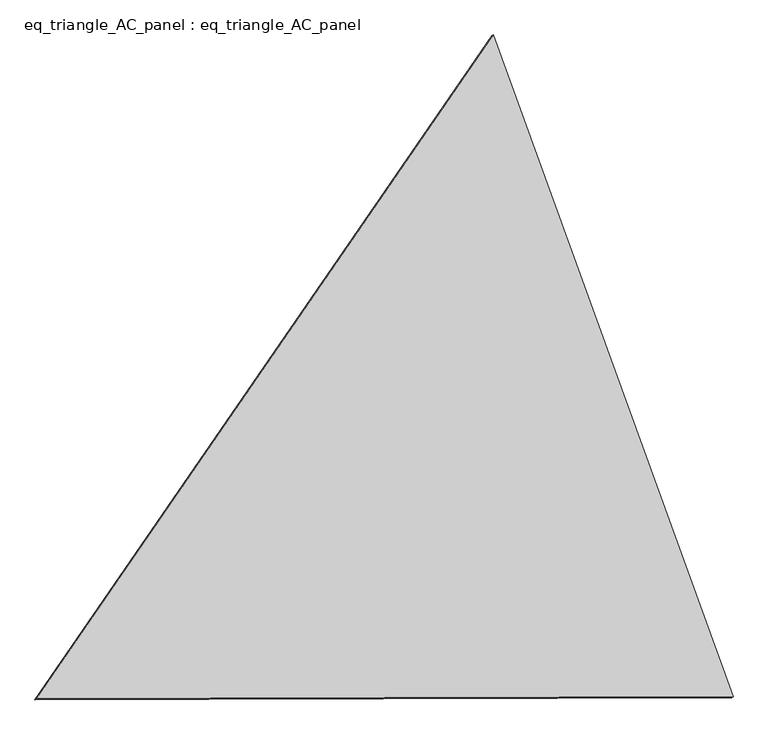
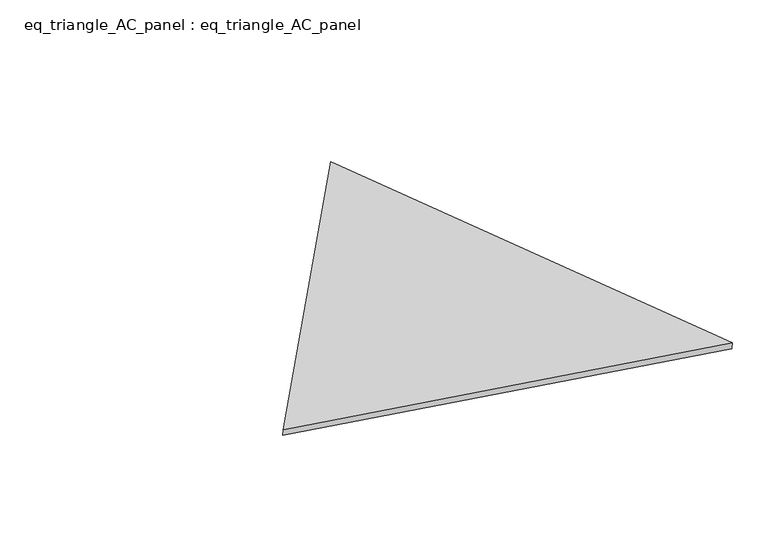
"""IFC4 building model written with IfcOpenShell, lengths in millimetres: proxy geometry, eq_triangle_AC_panel : eq_triangle_AC_panel."""

from ifc_helpers import new_model, si_unit, frame, origin, place, context, project, spatial, polyline, outline, extrude, source, transform, mapped, element, save


def eq_triangle_ac_panel_eq_triangle_ac_panel_9b1038bd(model_context):
    return source(origin(), model_context, "Body", "SweptSolid", [
        extrude(outline(polyline([(-1940.9247911, 1096.9488492), (1545.7025419, 1096.9488492), (395.2222489, -2193.8976984), (-1940.9247911, 1096.9488492)])), frame((0.0038051, 527.9290861, 89.8240019), z_axis=(0.14526328518058165, 0.08386570281802201, 0.9858321976225894), x_axis=(0.34071781746140717, -0.9396952468052431, 0.02973570237893283)), (0.0, 0.0, 1.0), 43.8306294),
    ])


if __name__ == "__main__":
    model = new_model("IFC4")
    model_context = context("Model", 3, world=origin())
    ifc_project = project(units=[si_unit("LENGTHUNIT", "METRE", prefix="MILLI")], contexts=[model_context])
    site = spatial("IfcSite", under=ifc_project)
    building = spatial("IfcBuilding", under=site)
    placement = place(None, origin())
    eq_triangle_ac_panel_eq_triangle_ac_panel_shape = eq_triangle_ac_panel_eq_triangle_ac_panel_9b1038bd(model_context)
    element("IfcBuildingElementProxy", 1, Name="eq_triangle_AC_panel : eq_triangle_AC_panel", ObjectType="eq_triangle_AC_panel : eq_triangle_AC_panel", at=placement, inside=building, context=model_context, shape_type="MappedRepresentation", body=[
        mapped(eq_triangle_ac_panel_eq_triangle_ac_panel_shape, transform((0.0, 0.0, 0.0), x_axis=(1.0, 0.0, 0.0), y_axis=(0.0, 1.0, 0.0), z_axis=(0.0, 0.0, 1.0))),
    ])
    save(model, "model.ifc")
